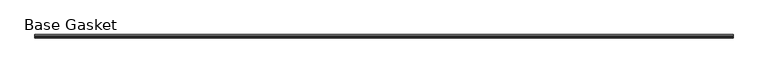
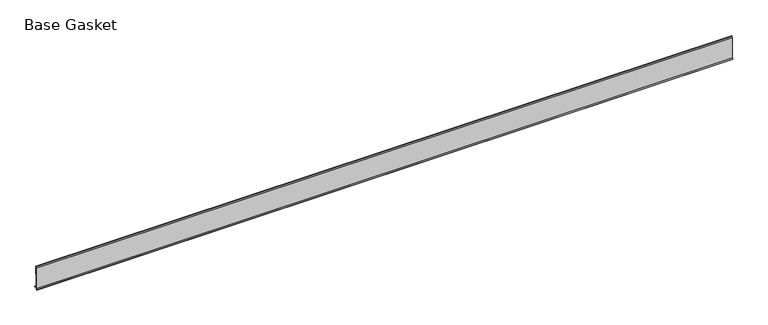
"""IFC4 building model written with IfcOpenShell, lengths in millimetres: furniture geometry, Base Gasket."""

from ifc_helpers import new_model, si_unit, frame, origin, place, context, project, spatial, polyline, outline, extrude, source, transform, mapped, element, save


def base_gasket_6a49c4b8(model_context):
    return source(origin(), model_context, "Body", "SweptSolid", [
        extrude(outline(polyline([(-3.7283812, 98.4568417), (-1.1891543, 104.587663), (-0.6755308, 105.2002997), (-0.6755308, 104.4162708), (-2.2043812, 98.4568417), (-2.2043812, 96.8693477), (-1.4106313, 96.8693477), (-1.4106313, 71.4693447), (-2.2043812, 71.4693447), (-2.2043812, 7.9398773), (6.2405171, 7.9398773), (6.2405171, 6.3818476), (-2.1334222, 6.3818476), (-2.2043812, 4.3498477), (-6.8281054, 0.3520979), (-7.8482342, 0.0), (-7.4222115, 0.6560174), (-3.7283812, 4.3498477), (-3.7283812, 98.4568417)])), frame((-1527.8982117, 0.0, 0.0), z_axis=(1.0, 0.0, 0.0), x_axis=(0.0, 1.0, 0.0)), (0.0, 0.0, 1.0), 3051.2721414),
    ])


if __name__ == "__main__":
    model = new_model("IFC4")
    model_context = context("Model", 3, world=origin())
    ifc_project = project(units=[si_unit("LENGTHUNIT", "METRE", prefix="MILLI")], contexts=[model_context])
    site = spatial("IfcSite", under=ifc_project)
    building = spatial("IfcBuilding", under=site)
    placement = place(None, origin())
    base_gasket_shape = base_gasket_6a49c4b8(model_context)
    element("IfcFurniture", 1, ObjectType="Base Gasket", at=placement, inside=building, context=model_context, shape_type="MappedRepresentation", body=[
        mapped(base_gasket_shape, transform((0.0, 0.0, 0.0), x_axis=(1.0, 0.0, 0.0), y_axis=(0.0, 1.0, 0.0), z_axis=(0.0, 0.0, 1.0))),
    ])
    save(model, "model.ifc")
